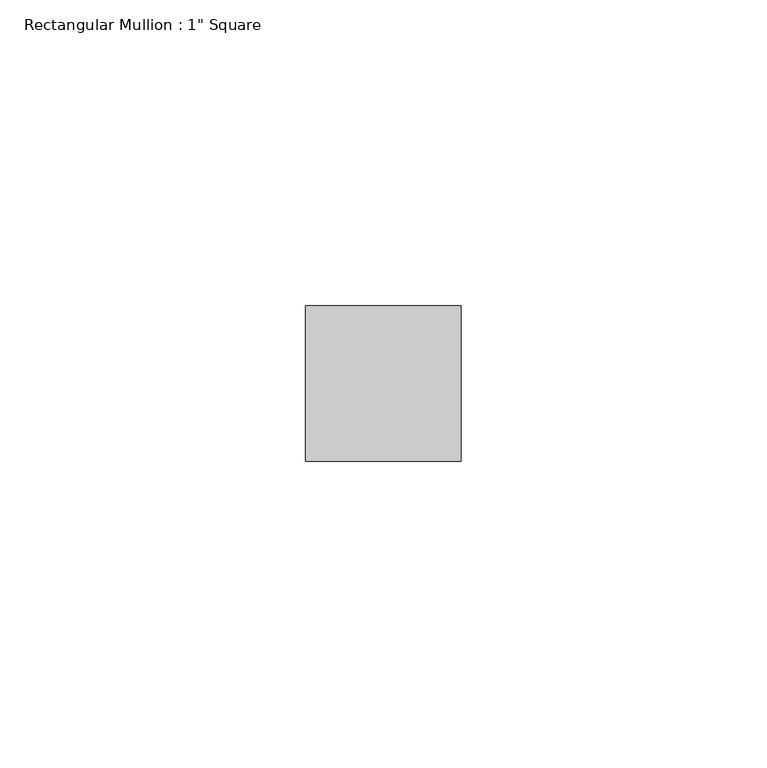
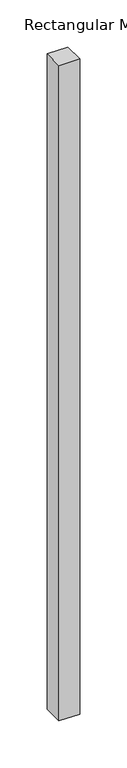
"""IFC4 building model written with IfcOpenShell, lengths in millimetres: member geometry."""

from ifc_helpers import new_model, si_unit, frame, origin, place, context, project, spatial, polyline, outline, extrude, source, transform, mapped, element, save


def member_3aaea4b3(model_context):
    return source(origin(), model_context, "Body", "SweptSolid", [
        extrude(outline(polyline([(12.7, 12.7), (12.7, -12.7), (-12.7, -12.7), (-12.7, 12.7), (12.7, 12.7)])), frame((0.0, 0.0, -850.9), z_axis=(0.0, 0.0, 1.0), x_axis=(1.0, 0.0, 0.0)), (0.0, 0.0, 1.0), 850.9),
    ])


if __name__ == "__main__":
    model = new_model("IFC4")
    model_context = context("Model", 3, world=origin())
    ifc_project = project(units=[si_unit("LENGTHUNIT", "METRE", prefix="MILLI")], contexts=[model_context])
    site = spatial("IfcSite", under=ifc_project)
    building = spatial("IfcBuilding", under=site)
    placement = place(None, origin())
    member_shape = member_3aaea4b3(model_context)
    element("IfcMember", 1, ObjectType="Rectangular Mullion : 1\" Square", at=placement, inside=building, context=model_context, shape_type="MappedRepresentation", body=[
        mapped(member_shape, transform((0.0, 0.0, 0.0), x_axis=(1.0, 0.0, 0.0), y_axis=(0.0, 1.0, 0.0), z_axis=(0.0, 0.0, 1.0))),
    ])
    save(model, "model.ifc")
